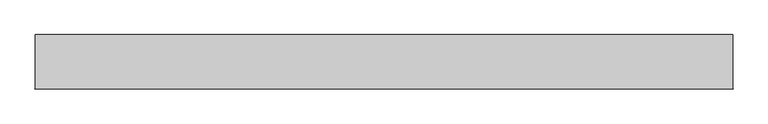
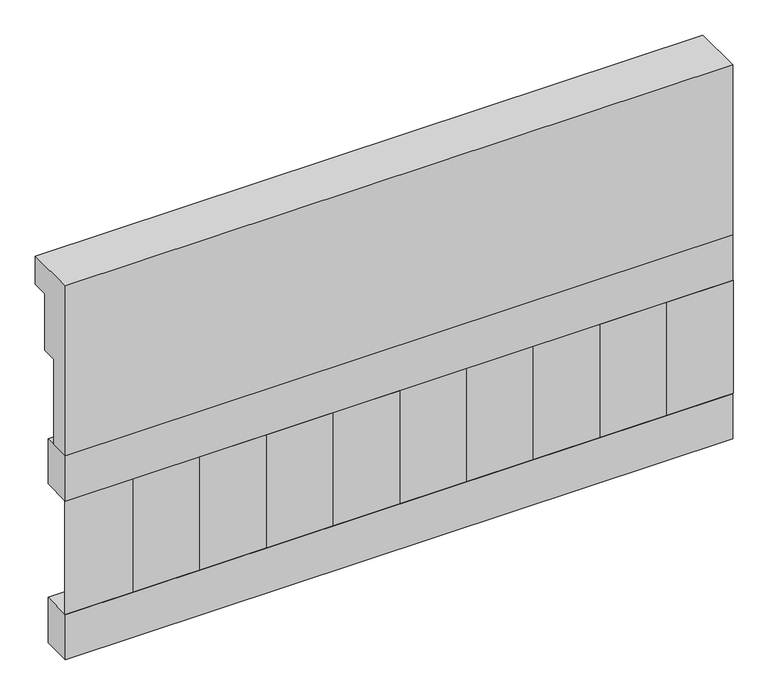
"""IFC4 building model written with IfcOpenShell, lengths in millimetres: railing geometry."""

from ifc_helpers import new_model, si_unit, frame, origin, place, context, project, spatial, polyline, outline, extrude, source, transform, mapped, element, save


def railing_d7ed7741(model_context):
    return source(origin(), model_context, "Body", "SweptSolid", [
        extrude(outline(polyline([(903.1079487, 21800.0), (1033.1079487, 21800.0), (1033.1079487, 21725.0), (993.1079487, 21725.0), (993.1079487, 21575.0), (953.1079487, 21575.0), (953.1079487, 21350.0), (903.1079487, 21350.0), (903.1079487, 21800.0)])), frame((15760.0112841, 0.0, 0.0), z_axis=(1.0, 0.0, 0.0), x_axis=(0.0, 1.0, 0.0)), (0.0, 0.0, 1.0), 1670.0),
        extrude(outline(polyline([(17430.0112841, 978.1079487), (17430.0112841, 903.1079487), (15760.0112841, 903.1079487), (15760.0112841, 978.1079487), (17430.0112841, 978.1079487)])), frame((0.0, 0.0, 21230.0), z_axis=(0.0, 0.0, 1.0), x_axis=(1.0, 0.0, 0.0)), (0.0, 0.0, 1.0), 120.0),
        extrude(outline(polyline([(17430.0112841, 978.1079487), (17430.0112841, 903.1079487), (15760.0112841, 903.1079487), (15760.0112841, 978.1079487), (17430.0112841, 978.1079487)])), frame((0.0, 0.0, 20810.0), z_axis=(0.0, 0.0, 1.0), x_axis=(1.0, 0.0, 0.0)), (0.0, 0.0, 1.0), 120.0),
        extrude(outline(polyline([(15843.5112841, 987.9607624), (15928.3640978, 903.1079487), (15758.6584704, 903.1079487), (15843.5112841, 987.9607624)])), frame((0.0, 0.0, 20930.0), z_axis=(0.0, 0.0, 1.0), x_axis=(1.0, 0.0, 0.0)), (0.0, 0.0, 1.0), 300.0),
        extrude(outline(polyline([(16010.5112841, 987.9607624), (16095.3640978, 903.1079487), (15925.6584704, 903.1079487), (16010.5112841, 987.9607624)])), frame((0.0, 0.0, 20930.0), z_axis=(0.0, 0.0, 1.0), x_axis=(1.0, 0.0, 0.0)), (0.0, 0.0, 1.0), 300.0),
        extrude(outline(polyline([(16177.5112841, 987.9607624), (16262.3640978, 903.1079487), (16092.6584704, 903.1079487), (16177.5112841, 987.9607624)])), frame((0.0, 0.0, 20930.0), z_axis=(0.0, 0.0, 1.0), x_axis=(1.0, 0.0, 0.0)), (0.0, 0.0, 1.0), 300.0),
        extrude(outline(polyline([(16344.5112841, 987.9607624), (16429.3640978, 903.1079487), (16259.6584704, 903.1079487), (16344.5112841, 987.9607624)])), frame((0.0, 0.0, 20930.0), z_axis=(0.0, 0.0, 1.0), x_axis=(1.0, 0.0, 0.0)), (0.0, 0.0, 1.0), 300.0),
        extrude(outline(polyline([(16511.5112841, 987.9607624), (16596.3640978, 903.1079487), (16426.6584704, 903.1079487), (16511.5112841, 987.9607624)])), frame((0.0, 0.0, 20930.0), z_axis=(0.0, 0.0, 1.0), x_axis=(1.0, 0.0, 0.0)), (0.0, 0.0, 1.0), 300.0),
        extrude(outline(polyline([(16678.5112841, 987.9607624), (16763.3640978, 903.1079487), (16593.6584704, 903.1079487), (16678.5112841, 987.9607624)])), frame((0.0, 0.0, 20930.0), z_axis=(0.0, 0.0, 1.0), x_axis=(1.0, 0.0, 0.0)), (0.0, 0.0, 1.0), 300.0),
        extrude(outline(polyline([(16845.5112841, 987.9607624), (16930.3640978, 903.1079487), (16760.6584704, 903.1079487), (16845.5112841, 987.9607624)])), frame((0.0, 0.0, 20930.0), z_axis=(0.0, 0.0, 1.0), x_axis=(1.0, 0.0, 0.0)), (0.0, 0.0, 1.0), 300.0),
        extrude(outline(polyline([(17012.5112841, 987.9607624), (17097.3640978, 903.1079487), (16927.6584704, 903.1079487), (17012.5112841, 987.9607624)])), frame((0.0, 0.0, 20930.0), z_axis=(0.0, 0.0, 1.0), x_axis=(1.0, 0.0, 0.0)), (0.0, 0.0, 1.0), 300.0),
        extrude(outline(polyline([(17179.5112841, 987.9607624), (17264.3640978, 903.1079487), (17094.6584704, 903.1079487), (17179.5112841, 987.9607624)])), frame((0.0, 0.0, 20930.0), z_axis=(0.0, 0.0, 1.0), x_axis=(1.0, 0.0, 0.0)), (0.0, 0.0, 1.0), 300.0),
        extrude(outline(polyline([(17346.5112841, 987.9607624), (17431.3640978, 903.1079487), (17261.6584704, 903.1079487), (17346.5112841, 987.9607624)])), frame((0.0, 0.0, 20930.0), z_axis=(0.0, 0.0, 1.0), x_axis=(1.0, 0.0, 0.0)), (0.0, 0.0, 1.0), 300.0),
    ])


if __name__ == "__main__":
    model = new_model("IFC4")
    model_context = context("Model", 3, world=origin())
    ifc_project = project(units=[si_unit("LENGTHUNIT", "METRE", prefix="MILLI")], contexts=[model_context])
    site = spatial("IfcSite", under=ifc_project)
    building = spatial("IfcBuilding", under=site)
    placement = place(None, origin())
    railing_shape = railing_d7ed7741(model_context)
    element("IfcRailing", 1, at=placement, inside=building, context=model_context, shape_type="MappedRepresentation", body=[
        mapped(railing_shape, transform((0.0, 0.0, 0.0), x_axis=(1.0, 0.0, 0.0), y_axis=(0.0, 1.0, 0.0), z_axis=(0.0, 0.0, 1.0))),
    ])
    save(model, "model.ifc")
